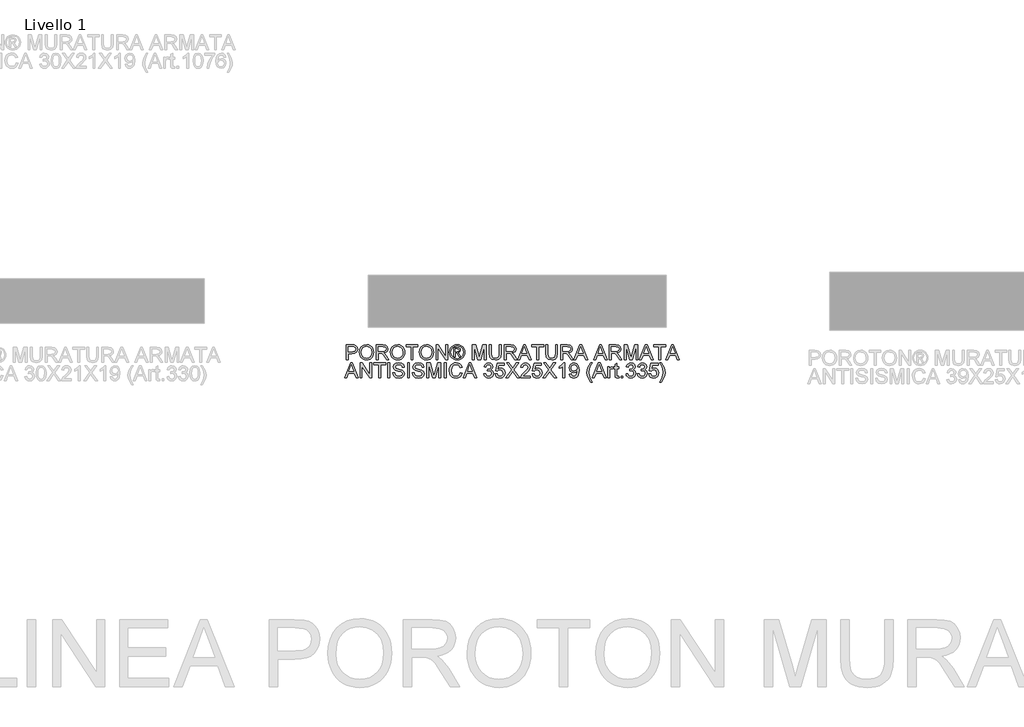
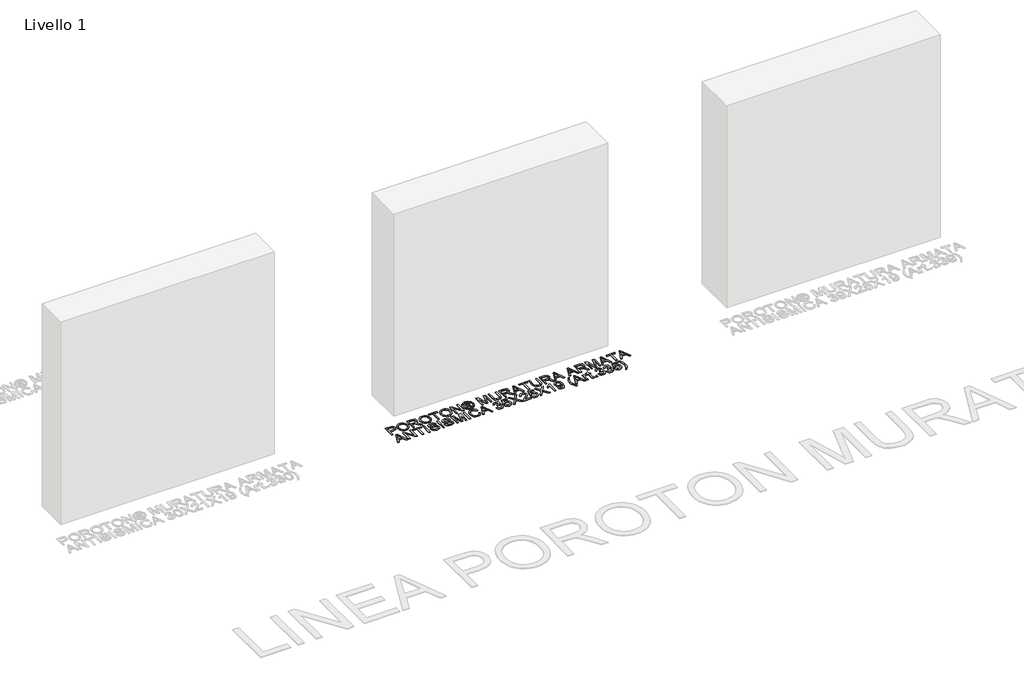
# One storey, part 3 of 8: 1 proxy.
"""IFC4 building model written with IfcOpenShell, lengths in millimetres."""

from ifc_helpers import new_model, si_unit, origin, origin_with_axes, place, context, project, spatial, polyline, outline, extrude, element, save

model = new_model("IFC4")

# Units and contexts
model_context = context("Model", 3, world=origin())
ifc_project = project(units=[si_unit("LENGTHUNIT", "METRE", prefix="MILLI")], contexts=[model_context])

# Site, building, storey
site = spatial("IfcSite", under=ifc_project)
building = spatial("IfcBuilding", under=site)
storey = spatial("IfcBuildingStorey", under=building, Name="Livello 1", Elevation=0.0)

# Proxy
placement = place(None, origin())
element("IfcBuildingElementProxy", 1, Name="100", ObjectType="100", at=placement, inside=storey, context=model_context, shape_type="SweptSolid", body=[
    extrude(outline(polyline([(-1614.2520529, -901.4605049), (-1614.2520529, -801.0041948), (-1577.022395, -801.0041948), (-1562.0128096, -801.960688), (-1549.81139, -806.6573148), (-1541.9019271, -816.3693995), (-1538.9098203, -830.0668724), (-1540.9301055, -841.9065413), (-1546.9909614, -851.7719101), (-1558.3247926, -858.4305742), (-1576.1640036, -860.6501289), (-1601.6950141, -860.6501289), (-1601.6950141, -901.4605049), (-1614.2520529, -901.4605049)]), holes=[polyline([(-1601.6950141, -848.0930902), (-1575.4282396, -848.0930902), (-1556.936038, -843.4823025), (-1552.8341538, -837.9334157), (-1551.466859, -830.5083308), (-1554.6919578, -820.1095331), (-1563.1655065, -814.4196249), (-1575.7225452, -813.5612336), (-1601.6950141, -813.5612336), (-1601.6950141, -848.0930902)])]), origin_with_axes(), (0.0, 0.0, 1.0), 5.0),
    extrude(outline(polyline([(-1526.3527815, -852.556725), (-1523.0050553, -830.3427839), (-1512.9618769, -813.5367081), (-1497.627329, -802.9601007), (-1478.4054948, -799.4345649), (-1465.229188, -801.0900339), (-1453.4140446, -806.0564409), (-1443.603858, -813.9842979), (-1436.4424219, -824.524117), (-1432.0646261, -837.1669949), (-1430.6053609, -851.4040281), (-1432.1412682, -865.8311337), (-1436.7489902, -878.6518212), (-1444.1740751, -889.2100345), (-1454.1620713, -896.8497173), (-1465.8760472, -901.4850304), (-1478.4790712, -903.0301348), (-1491.8577131, -901.3225492), (-1503.7403015, -896.1997924), (-1513.5259626, -888.1247826), (-1520.6138224, -877.560438), (-1526.3527815, -852.556725)]), holes=[polyline([(-1513.7957427, -852.6793524), (-1511.2849481, -868.3940449), (-1503.7525643, -880.3686039), (-1492.4309958, -887.946973), (-1478.5526476, -890.473096), (-1464.4719642, -887.9224475), (-1453.1320017, -880.270502), (-1445.6548002, -867.9280611), (-1443.1623996, -851.3059263), (-1447.4298308, -830.5819072), (-1459.9010304, -816.8599088), (-1478.3319184, -811.9916037), (-1491.839319, -814.3368514), (-1503.3233686, -821.3725946), (-1511.1776492, -833.8897795), (-1513.7957427, -852.6793524)])]), origin_with_axes(), (0.0, 0.0, 1.0), 5.0),
    extrude(outline(polyline([(-1413.3394326, -901.4605049), (-1413.3394326, -801.0041948), (-1370.0519845, -801.0041948), (-1349.9533648, -803.7142588), (-1338.9659559, -813.3037162), (-1334.8579403, -828.4972426), (-1336.5593945, -838.3932682), (-1341.6637572, -846.5970367), (-1350.3243125, -852.6119073), (-1362.6943446, -855.9412394), (-1355.5574339, -861.3123165), (-1345.3793653, -874.2372373), (-1328.6284718, -901.4605049), (-1343.2211243, -901.4605049), (-1356.2931979, -880.638384), (-1365.7355024, -866.8550719), (-1372.369641, -860.3435606), (-1378.3415921, -857.9523276), (-1385.6256556, -857.5108692), (-1400.7823938, -857.5108692), (-1400.7823938, -901.4605049), (-1413.3394326, -901.4605049)]), holes=[polyline([(-1400.7823938, -844.9538305), (-1372.6762094, -844.9538305), (-1358.3410743, -843.1757342), (-1350.1986195, -837.485826), (-1347.414979, -828.9632264), (-1352.7247425, -817.9022411), (-1369.5124242, -813.5612336), (-1400.7823938, -813.5612336), (-1400.7823938, -844.9538305)])]), origin_with_axes(), (0.0, 0.0, 1.0), 5.0),
    extrude(outline(polyline([(-1317.592012, -852.556725), (-1314.2442858, -830.3427839), (-1304.2011073, -813.5367081), (-1288.8665595, -802.9601007), (-1269.6447253, -799.4345649), (-1256.4684185, -801.0900339), (-1244.653275, -806.0564409), (-1234.8430885, -813.9842979), (-1227.6816523, -824.524117), (-1223.3038566, -837.1669949), (-1221.8445913, -851.4040281), (-1223.3804987, -865.8311337), (-1227.9882207, -878.6518212), (-1235.4133056, -889.2100345), (-1245.4013018, -896.8497173), (-1257.1152776, -901.4850304), (-1269.7183017, -903.0301348), (-1283.0969435, -901.3225492), (-1294.979532, -896.1997924), (-1304.7651931, -888.1247826), (-1311.8530528, -877.560438), (-1317.592012, -852.556725)]), holes=[polyline([(-1305.0349732, -852.6793524), (-1302.5241786, -868.3940449), (-1294.9917947, -880.3686039), (-1283.6702263, -887.946973), (-1269.7918781, -890.473096), (-1255.7111947, -887.9224475), (-1244.3712322, -880.270502), (-1236.8940306, -867.9280611), (-1234.4016301, -851.3059263), (-1238.6690613, -830.5819072), (-1251.1402609, -816.8599088), (-1269.5711489, -811.9916037), (-1283.0785494, -814.3368514), (-1294.5625991, -821.3725946), (-1302.4168797, -833.8897795), (-1305.0349732, -852.6793524)])]), origin_with_axes(), (0.0, 0.0, 1.0), 5.0),
    extrude(outline(polyline([(-1179.4645855, -901.4605049), (-1179.4645855, -813.5612336), (-1212.4268123, -813.5612336), (-1212.4268123, -801.0041948), (-1133.94532, -801.0041948), (-1133.94532, -813.5612336), (-1166.9075467, -813.5612336), (-1166.9075467, -901.4605049), (-1179.4645855, -901.4605049)])), origin_with_axes(), (0.0, 0.0, 1.0), 5.0),
    extrude(outline(polyline([(-1124.5275409, -852.556725), (-1121.1798147, -830.3427839), (-1111.1366363, -813.5367081), (-1095.8020884, -802.9601007), (-1076.5802542, -799.4345649), (-1063.4039474, -801.0900339), (-1051.588804, -806.0564409), (-1041.7786174, -813.9842979), (-1034.6171813, -824.524117), (-1030.2393855, -837.1669949), (-1028.7801203, -851.4040281), (-1030.3160276, -865.8311337), (-1034.9237496, -878.6518212), (-1042.3488345, -889.2100345), (-1052.3368307, -896.8497173), (-1064.0508066, -901.4850304), (-1076.6538306, -903.0301348), (-1090.0324725, -901.3225492), (-1101.9150609, -896.1997924), (-1111.700722, -888.1247826), (-1118.7885818, -877.560438), (-1124.5275409, -852.556725)]), holes=[polyline([(-1111.9705021, -852.6793524), (-1109.4597075, -868.3940449), (-1101.9273237, -880.3686039), (-1090.6057553, -887.946973), (-1076.727407, -890.473096), (-1062.6467236, -887.9224475), (-1051.3067611, -880.270502), (-1043.8295596, -867.9280611), (-1041.337159, -851.3059263), (-1045.6045902, -830.5819072), (-1058.0757898, -816.8599088), (-1076.5066778, -811.9916037), (-1090.0140784, -814.3368514), (-1101.498128, -821.3725946), (-1109.3524086, -833.8897795), (-1111.9705021, -852.6793524)])]), origin_with_axes(), (0.0, 0.0, 1.0), 5.0),
    extrude(outline(polyline([(-1011.514192, -901.4605049), (-1011.514192, -801.0041948), (-998.0742364, -801.0041948), (-945.5897384, -880.5893331), (-945.5897384, -801.0041948), (-933.0326997, -801.0041948), (-933.0326997, -901.4605049), (-946.4726552, -901.4605049), (-998.9571532, -821.8508412), (-998.9571532, -901.4605049), (-1011.514192, -901.4605049)])), origin_with_axes(), (0.0, 0.0, 1.0), 5.0),
    extrude(outline(polyline([(-870.2229804, -799.4345649), (-857.3287164, -801.108428), (-844.7410208, -806.1300173), (-833.6831012, -814.2663407), (-825.3781651, -825.2844065), (-820.181832, -838.0069921), (-818.4497209, -851.2568753), (-820.1573065, -864.3902626), (-825.2800633, -877.008615), (-833.4838318, -887.9868269), (-844.4344525, -896.1997924), (-857.0436079, -901.3225492), (-870.2229804, -903.0301348), (-883.3839587, -901.3225492), (-895.9869828, -896.1997924), (-906.9468005, -887.9868269), (-915.1781602, -877.008615), (-920.3285081, -864.3902626), (-922.0452907, -851.2568753), (-920.3039826, -838.0069921), (-915.0800583, -825.2844065), (-906.7475311, -814.2663407), (-895.6804144, -806.1300173), (-883.0988502, -801.108428), (-870.2229804, -799.4345649)]), holes=[polyline([(-870.2229804, -808.852344), (-891.0451013, -814.3337857), (-900.0735386, -820.9955155), (-906.9008153, -830.0178215), (-912.6275117, -851.2568753), (-907.0111799, -872.3119882), (-891.2903559, -887.9960239), (-870.2229804, -893.6123557), (-849.143342, -887.9960239), (-833.4593063, -872.3119882), (-827.8675, -851.2568753), (-833.5574082, -830.0178215), (-840.3662908, -820.9955155), (-849.4131222, -814.3337857), (-870.2229804, -808.852344)])]), origin_with_axes(), (0.0, 0.0, 1.0), 5.0),
    extrude(outline(polyline([(-893.7919535, -882.6249468), (-893.7919535, -819.8397529), (-873.5093928, -819.8397529), (-858.4507565, -821.5687983), (-851.0318029, -827.602063), (-848.272688, -836.7623247), (-853.0306284, -848.6817014), (-865.6367181, -854.3716096), (-860.7316249, -857.707073), (-852.1722371, -870.2395863), (-845.1334283, -882.6249468), (-855.7284297, -882.6249468), (-861.2466597, -872.6676075), (-870.4927605, -858.2466332), (-878.512588, -855.9412394), (-884.3741744, -855.9412394), (-884.3741744, -882.6249468), (-893.7919535, -882.6249468)]), holes=[polyline([(-884.3741744, -846.5234603), (-872.4547978, -846.5234603), (-860.8052013, -844.1322274), (-857.6904671, -837.7923943), (-859.1865205, -833.2306576), (-863.343587, -830.2385507), (-873.2150873, -829.257532), (-884.3741744, -829.257532), (-884.3741744, -846.5234603)])]), origin_with_axes(), (0.0, 0.0, 1.0), 5.0),
    extrude(outline(polyline([(-768.2215658, -901.4605049), (-768.2215658, -801.0041948), (-746.61463, -801.0041948), (-726.0622892, -871.8092161), (-721.9174854, -886.5980723), (-717.429325, -870.5829428), (-697.2203408, -801.0041948), (-675.6134049, -801.0041948), (-675.6134049, -901.4605049), (-688.1704437, -901.4605049), (-688.1704437, -813.5612336), (-713.4071485, -901.4605049), (-730.4278222, -901.4605049), (-755.6645271, -813.5612336), (-755.6645271, -901.4605049), (-768.2215658, -901.4605049)])), origin_with_axes(), (0.0, 0.0, 1.0), 5.0),
    extrude(outline(polyline([(-587.7141335, -801.0041948), (-575.1570948, -801.0041948), (-575.1570948, -858.9578718), (-578.5661346, -882.980566), (-590.8533932, -897.4505912), (-601.1173009, -901.6352489), (-614.1525862, -903.0301348), (-637.09616, -898.1740924), (-644.7358428, -892.2297325), (-649.824877, -884.1087375), (-653.6385871, -858.9578718), (-653.6385871, -801.0041948), (-641.0815483, -801.0041948), (-641.0815483, -858.5164134), (-638.6044762, -877.6585399), (-630.0941394, -887.1376326), (-615.3298086, -890.473096), (-602.558172, -888.8237584), (-594.0662293, -883.8757456), (-589.3021575, -874.2372373), (-587.7141335, -858.5164134), (-587.7141335, -801.0041948)])), origin_with_axes(), (0.0, 0.0, 1.0), 5.0),
    extrude(outline(polyline([(-553.1822769, -901.4605049), (-553.1822769, -801.0041948), (-509.8948288, -801.0041948), (-489.7962091, -803.7142588), (-478.8088002, -813.3037162), (-474.7007846, -828.4972426), (-476.4022388, -838.3932682), (-481.5066015, -846.5970367), (-490.1671568, -852.6119073), (-502.5371889, -855.9412394), (-495.4002782, -861.3123165), (-485.2222097, -874.2372373), (-468.4713162, -901.4605049), (-483.0639686, -901.4605049), (-496.1360422, -880.638384), (-505.5783467, -866.8550719), (-512.2124854, -860.3435606), (-518.1844364, -857.9523276), (-525.4684999, -857.5108692), (-540.6252381, -857.5108692), (-540.6252381, -901.4605049), (-553.1822769, -901.4605049)]), holes=[polyline([(-540.6252381, -844.9538305), (-512.5190537, -844.9538305), (-498.1839186, -843.1757342), (-490.0414638, -837.485826), (-487.2578234, -828.9632264), (-492.5675868, -817.9022411), (-509.3552686, -813.5612336), (-540.6252381, -813.5612336), (-540.6252381, -844.9538305)])]), origin_with_axes(), (0.0, 0.0, 1.0), 5.0),
    extrude(outline(polyline([(-464.4246142, -901.4605049), (-424.3254767, -801.0041948), (-413.6323734, -801.0041948), (-373.5332359, -901.4605049), (-386.8015132, -901.4605049), (-398.3039569, -870.067908), (-439.6784187, -870.067908), (-451.1563369, -901.4605049), (-464.4246142, -901.4605049)]), holes=[polyline([(-435.067631, -857.5108692), (-402.8902191, -857.5108692), (-411.9401162, -832.8137246), (-418.9789251, -813.5612336), (-425.232919, -830.6554836), (-435.067631, -857.5108692)])]), origin_with_axes(), (0.0, 0.0, 1.0), 5.0),
    extrude(outline(polyline([(-335.0037283, -901.4605049), (-335.0037283, -813.5612336), (-367.9659551, -813.5612336), (-367.9659551, -801.0041948), (-289.4844628, -801.0041948), (-289.4844628, -813.5612336), (-322.4466895, -813.5612336), (-322.4466895, -901.4605049), (-335.0037283, -901.4605049)])), origin_with_axes(), (0.0, 0.0, 1.0), 5.0),
    extrude(outline(polyline([(-209.4333406, -801.0041948), (-196.8763019, -801.0041948), (-196.8763019, -858.9578718), (-200.2853417, -882.980566), (-212.5726003, -897.4505912), (-222.836508, -901.6352489), (-235.8717933, -903.0301348), (-258.8153671, -898.1740924), (-266.4550499, -892.2297325), (-271.5440841, -884.1087375), (-275.3577942, -858.9578718), (-275.3577942, -801.0041948), (-262.8007554, -801.0041948), (-262.8007554, -858.5164134), (-260.3236833, -877.6585399), (-251.8133465, -887.1376326), (-237.0490157, -890.473096), (-224.2773791, -888.8237584), (-215.7854364, -883.8757456), (-211.0213646, -874.2372373), (-209.4333406, -858.5164134), (-209.4333406, -801.0041948)])), origin_with_axes(), (0.0, 0.0, 1.0), 5.0),
    extrude(outline(polyline([(-174.901484, -901.4605049), (-174.901484, -801.0041948), (-131.6140359, -801.0041948), (-111.5154162, -803.7142588), (-100.5280073, -813.3037162), (-96.4199917, -828.4972426), (-98.1214459, -838.3932682), (-103.2258086, -846.5970367), (-111.8863639, -852.6119073), (-124.256396, -855.9412394), (-117.1194853, -861.3123165), (-106.9414168, -874.2372373), (-90.1905232, -901.4605049), (-104.7831757, -901.4605049), (-117.8552493, -880.638384), (-127.2975538, -866.8550719), (-133.9316925, -860.3435606), (-139.9036435, -857.9523276), (-147.187707, -857.5108692), (-162.3444452, -857.5108692), (-162.3444452, -901.4605049), (-174.901484, -901.4605049)]), holes=[polyline([(-162.3444452, -844.9538305), (-134.2382608, -844.9538305), (-119.9031257, -843.1757342), (-111.7606709, -837.485826), (-108.9770305, -828.9632264), (-114.2867939, -817.9022411), (-131.0744756, -813.5612336), (-162.3444452, -813.5612336), (-162.3444452, -844.9538305)])]), origin_with_axes(), (0.0, 0.0, 1.0), 5.0),
    extrude(outline(polyline([(-86.1438213, -901.4605049), (-46.0446838, -801.0041948), (-35.3515805, -801.0041948), (4.747557, -901.4605049), (-8.5207203, -901.4605049), (-20.023164, -870.067908), (-61.3976258, -870.067908), (-72.875544, -901.4605049), (-86.1438213, -901.4605049)]), holes=[polyline([(-56.7868381, -857.5108692), (-24.6094262, -857.5108692), (-33.6593233, -832.8137246), (-40.6981322, -813.5612336), (-46.9521261, -830.6554836), (-56.7868381, -857.5108692)])]), origin_with_axes(), (0.0, 0.0, 1.0), 5.0),
    extrude(outline(polyline([(45.7050858, -901.4605049), (85.8042232, -801.0041948), (96.4973266, -801.0041948), (136.596464, -901.4605049), (123.3281868, -901.4605049), (111.825743, -870.067908), (70.4512813, -870.067908), (58.9733631, -901.4605049), (45.7050858, -901.4605049)]), holes=[polyline([(75.062069, -857.5108692), (107.2394808, -857.5108692), (98.1895837, -832.8137246), (91.1507749, -813.5612336), (84.896781, -830.6554836), (75.062069, -857.5108692)])]), origin_with_axes(), (0.0, 0.0, 1.0), 5.0),
    extrude(outline(polyline([(150.0118941, -901.4605049), (150.0118941, -801.0041948), (193.2993422, -801.0041948), (213.3979619, -803.7142588), (224.3853708, -813.3037162), (228.4933864, -828.4972426), (226.7919322, -838.3932682), (221.6875695, -846.5970367), (213.0270142, -852.6119073), (200.6569821, -855.9412394), (207.7938928, -861.3123165), (217.9719614, -874.2372373), (234.7228549, -901.4605049), (220.1302024, -901.4605049), (207.0581289, -880.638384), (197.6158243, -866.8550719), (190.9816857, -860.3435606), (185.0097346, -857.9523276), (177.7256711, -857.5108692), (162.5689329, -857.5108692), (162.5689329, -901.4605049), (150.0118941, -901.4605049)]), holes=[polyline([(162.5689329, -844.9538305), (190.6751173, -844.9538305), (205.0102524, -843.1757342), (213.1527072, -837.485826), (215.9363477, -828.9632264), (210.6265842, -817.9022411), (193.8389025, -813.5612336), (162.5689329, -813.5612336), (162.5689329, -844.9538305)])]), origin_with_axes(), (0.0, 0.0, 1.0), 5.0),
    extrude(outline(polyline([(250.4682043, -901.4605049), (250.4682043, -801.0041948), (272.0751401, -801.0041948), (292.6274809, -871.8092161), (296.7722847, -886.5980723), (301.2604451, -870.5829428), (321.4694294, -801.0041948), (343.0763652, -801.0041948), (343.0763652, -901.4605049), (330.5193264, -901.4605049), (330.5193264, -813.5612336), (305.2826216, -901.4605049), (288.2619479, -901.4605049), (263.0252431, -813.5612336), (263.0252431, -901.4605049), (250.4682043, -901.4605049)])), origin_with_axes(), (0.0, 0.0, 1.0), 5.0),
    extrude(outline(polyline([(353.3525356, -901.4605049), (393.4516731, -801.0041948), (404.1447764, -801.0041948), (444.2439139, -901.4605049), (430.9756366, -901.4605049), (419.4731929, -870.067908), (378.0987311, -870.067908), (366.6208129, -901.4605049), (353.3525356, -901.4605049)]), holes=[polyline([(382.7095188, -857.5108692), (414.8869307, -857.5108692), (405.8370336, -832.8137246), (398.7982247, -813.5612336), (392.5442308, -830.6554836), (382.7095188, -857.5108692)])]), origin_with_axes(), (0.0, 0.0, 1.0), 5.0),
    extrude(outline(polyline([(482.7734215, -901.4605049), (482.7734215, -813.5612336), (449.8111947, -813.5612336), (449.8111947, -801.0041948), (528.292687, -801.0041948), (528.292687, -813.5612336), (495.3304603, -813.5612336), (495.3304603, -901.4605049), (482.7734215, -901.4605049)])), origin_with_axes(), (0.0, 0.0, 1.0), 5.0),
    extrude(outline(polyline([(530.7207082, -901.4605049), (570.8198457, -801.0041948), (581.512949, -801.0041948), (621.6120865, -901.4605049), (608.3438092, -901.4605049), (596.8413655, -870.067908), (555.4669038, -870.067908), (543.9889855, -901.4605049), (530.7207082, -901.4605049)]), holes=[polyline([(560.0776914, -857.5108692), (592.2551033, -857.5108692), (583.2052062, -832.8137246), (576.1663973, -813.5612336), (569.9124034, -830.6554836), (560.0776914, -857.5108692)])]), origin_with_axes(), (0.0, 0.0, 1.0), 5.0),
    extrude(outline(polyline([(-1625.9507003, -1023.4353228), (-1585.8515628, -922.9790126), (-1575.1584595, -922.9790126), (-1535.059322, -1023.4353228), (-1548.3275993, -1023.4353228), (-1559.830043, -992.0427259), (-1601.2045048, -992.0427259), (-1612.682423, -1023.4353228), (-1625.9507003, -1023.4353228)]), holes=[polyline([(-1596.5937171, -979.4856871), (-1564.4163053, -979.4856871), (-1573.4662023, -954.7885425), (-1580.5050112, -935.5360514), (-1586.7590051, -952.6303014), (-1596.5937171, -979.4856871)])]), origin_with_axes(), (0.0, 0.0, 1.0), 5.0),
    extrude(outline(polyline([(-1521.6438919, -1023.4353228), (-1521.6438919, -922.9790126), (-1508.2039364, -922.9790126), (-1455.7194384, -1002.5641509), (-1455.7194384, -922.9790126), (-1443.1623996, -922.9790126), (-1443.1623996, -1023.4353228), (-1456.6023552, -1023.4353228), (-1509.0868532, -943.825659), (-1509.0868532, -1023.4353228), (-1521.6438919, -1023.4353228)])), origin_with_axes(), (0.0, 0.0, 1.0), 5.0),
    extrude(outline(polyline([(-1396.0735043, -1023.4353228), (-1396.0735043, -935.5360514), (-1429.035731, -935.5360514), (-1429.035731, -922.9790126), (-1350.5542387, -922.9790126), (-1350.5542387, -935.5360514), (-1383.5164655, -935.5360514), (-1383.5164655, -1023.4353228), (-1396.0735043, -1023.4353228)])), origin_with_axes(), (0.0, 0.0, 1.0), 5.0),
    extrude(outline(polyline([(-1334.8579403, -1023.4353228), (-1334.8579403, -922.9790126), (-1322.3009015, -922.9790126), (-1322.3009015, -1023.4353228), (-1334.8579403, -1023.4353228)])), origin_with_axes(), (0.0, 0.0, 1.0), 5.0),
    extrude(outline(polyline([(-1301.8957135, -988.9034662), (-1289.3386747, -988.9034662), (-1285.2919728, -1001.4727677), (-1275.4082098, -1009.4190188), (-1260.3495735, -1012.4479139), (-1247.228449, -1010.1547828), (-1238.7549004, -1003.8517379), (-1235.97126, -995.4272402), (-1238.0559246, -987.5913537), (-1246.5907869, -981.8891828), (-1264.874522, -977.0944541), (-1284.5562088, -970.9017739), (-1295.2370494, -961.5575712), (-1298.7564538, -949.0741088), (-1294.4031835, -934.8616011), (-1281.6867292, -924.8306853), (-1263.0719003, -921.4093828), (-1243.2062725, -924.9901009), (-1229.9625207, -935.5115259), (-1224.983851, -951.2323499), (-1237.5408898, -951.2323499), (-1239.8462836, -943.7398199), (-1244.653275, -938.3319546), (-1262.5813909, -933.9664216), (-1280.5585578, -938.2829036), (-1286.199415, -948.7062268), (-1282.201764, -957.4127674), (-1261.6984742, -964.4270508), (-1239.4784016, -970.7300956), (-1227.3260331, -980.9081641), (-1223.4142212, -995.1084092), (-1227.9146443, -1010.1302573), (-1240.8640905, -1021.0931407), (-1259.8590642, -1025.0049526), (-1282.2876032, -1020.7865724), (-1296.4755854, -1008.0823809), (-1301.8957135, -988.9034662)])), origin_with_axes(), (0.0, 0.0, 1.0), 5.0),
    extrude(outline(polyline([(-1203.0090332, -1023.4353228), (-1203.0090332, -922.9790126), (-1190.4519944, -922.9790126), (-1190.4519944, -1023.4353228), (-1203.0090332, -1023.4353228)])), origin_with_axes(), (0.0, 0.0, 1.0), 5.0),
    extrude(outline(polyline([(-1170.0468064, -988.9034662), (-1157.4897677, -988.9034662), (-1153.4430657, -1001.4727677), (-1143.5593028, -1009.4190188), (-1128.5006664, -1012.4479139), (-1115.3795419, -1010.1547828), (-1106.9059933, -1003.8517379), (-1104.1223529, -995.4272402), (-1106.2070175, -987.5913537), (-1114.7418798, -981.8891828), (-1133.025615, -977.0944541), (-1152.7073017, -970.9017739), (-1163.3881423, -961.5575712), (-1166.9075467, -949.0741088), (-1162.5542765, -934.8616011), (-1149.8378222, -924.8306853), (-1131.2229932, -921.4093828), (-1111.3573655, -924.9901009), (-1098.1136136, -935.5115259), (-1093.134944, -951.2323499), (-1105.6919827, -951.2323499), (-1107.9973766, -943.7398199), (-1112.804368, -938.3319546), (-1130.7324839, -933.9664216), (-1148.7096507, -938.2829036), (-1154.350508, -948.7062268), (-1150.352857, -957.4127674), (-1129.8495671, -964.4270508), (-1107.6294946, -970.7300956), (-1095.477126, -980.9081641), (-1091.5653141, -995.1084092), (-1096.0657372, -1010.1302573), (-1109.0151834, -1021.0931407), (-1128.0101571, -1025.0049526), (-1150.4386961, -1020.7865724), (-1164.6266784, -1008.0823809), (-1170.0468064, -988.9034662)])), origin_with_axes(), (0.0, 0.0, 1.0), 5.0),
    extrude(outline(polyline([(-1072.729756, -1023.4353228), (-1072.729756, -922.9790126), (-1051.1228201, -922.9790126), (-1030.5704793, -993.784034), (-1026.4256755, -1008.5728902), (-1021.9375152, -992.5577607), (-1001.7285309, -922.9790126), (-980.121595, -922.9790126), (-980.121595, -1023.4353228), (-992.6786338, -1023.4353228), (-992.6786338, -935.5360514), (-1017.9153387, -1023.4353228), (-1034.9360123, -1023.4353228), (-1060.1727172, -935.5360514), (-1060.1727172, -1023.4353228), (-1072.729756, -1023.4353228)])), origin_with_axes(), (0.0, 0.0, 1.0), 5.0),
    extrude(outline(polyline([(-956.5771474, -1023.4353228), (-956.5771474, -922.9790126), (-944.0201086, -922.9790126), (-944.0201086, -1023.4353228), (-956.5771474, -1023.4353228)])), origin_with_axes(), (0.0, 0.0, 1.0), 5.0),
    extrude(outline(polyline([(-848.272688, -987.7262438), (-835.7156492, -990.9636053), (-841.5097906, -1005.5961117), (-850.6026073, -1016.2861493), (-862.5465094, -1022.8252518), (-876.8939072, -1025.0049526), (-891.4589685, -1023.355615), (-903.0257916, -1018.4076022), (-911.8917477, -1010.3325924), (-918.3542081, -999.3022639), (-923.6149206, -972.4468783), (-922.1280642, -957.7990435), (-917.667495, -945.1500342), (-910.4662049, -934.901455), (-900.757186, -927.4549102), (-889.2424795, -922.9207647), (-876.6241271, -921.4093828), (-862.8561434, -923.3652887), (-851.4732613, -929.2330066), (-842.8311001, -938.6507856), (-837.2852791, -951.2568753), (-849.8423178, -954.2489822), (-860.1430137, -938.8102012), (-877.1146364, -933.9664216), (-896.7595349, -939.3374987), (-907.8573085, -953.7584729), (-911.0578818, -972.4223528), (-907.2686973, -994.0538141), (-895.471948, -1007.8739144), (-878.144706, -1012.4479139), (-867.6631348, -1010.8905467), (-858.9290031, -1006.2184454), (-852.3347183, -998.4806608), (-848.272688, -987.7262438)])), origin_with_axes(), (0.0, 0.0, 1.0), 5.0),
    extrude(outline(polyline([(-830.1483683, -1023.4353228), (-790.0492309, -922.9790126), (-779.3561275, -922.9790126), (-739.2569901, -1023.4353228), (-752.5252674, -1023.4353228), (-764.0277111, -992.0427259), (-805.4021728, -992.0427259), (-816.8800911, -1023.4353228), (-830.1483683, -1023.4353228)]), holes=[polyline([(-800.7913851, -979.4856871), (-768.6139733, -979.4856871), (-777.6638704, -954.7885425), (-784.7026792, -935.5360514), (-790.9566731, -952.6303014), (-800.7913851, -979.4856871)])]), origin_with_axes(), (0.0, 0.0, 1.0), 5.0),
    extrude(outline(polyline([(-691.3097034, -996.7516154), (-678.7526646, -995.1819856), (-671.8242204, -1008.4012119), (-658.8625114, -1012.4479139), (-650.2540727, -1011.0560936), (-643.6076713, -1006.880633), (-637.9422886, -993.0973209), (-643.5586204, -980.1110865), (-657.8324418, -974.9730013), (-666.6370842, -976.3464274), (-665.2391326, -963.7893886), (-663.2280444, -963.9365414), (-648.9787485, -960.3312979), (-644.2330707, -955.7572984), (-642.6511781, -949.2457871), (-647.2374403, -939.4233378), (-659.0587151, -935.5360514), (-671.0271427, -939.460126), (-677.1830348, -951.2323499), (-689.7400735, -949.66272), (-686.0428595, -938.3871369), (-679.4639031, -929.9687705), (-670.463057, -924.7264521), (-659.5001735, -922.9790126), (-644.3556981, -926.4248407), (-633.7606966, -935.8426197), (-630.0941394, -948.5100231), (-633.5767556, -960.0860432), (-643.8774515, -968.4001763), (-630.1922412, -976.9840895), (-625.3852498, -993.3180501), (-627.7887455, -1005.5562578), (-634.9992326, -1015.7833773), (-645.8824083, -1022.6995588), (-659.3039698, -1025.0049526), (-671.4440756, -1023.036784), (-681.3278386, -1017.1322779), (-688.2011005, -1008.100775), (-691.3097034, -996.7516154)])), origin_with_axes(), (0.0, 0.0, 1.0), 5.0),
    extrude(outline(polyline([(-614.3978409, -996.7516154), (-601.8408021, -995.1819856), (-595.5132318, -1008.1191691), (-582.3921073, -1012.4479139), (-573.3912612, -1010.9426634), (-566.6467579, -1006.4269119), (-562.4345091, -999.4218255), (-561.0304261, -990.4485706), (-566.2911387, -975.537087), (-572.8976862, -971.4352028), (-582.1959036, -970.067908), (-593.2201007, -972.2506745), (-600.2711723, -977.9160572), (-612.8282111, -976.3464274), (-601.8408021, -924.5486425), (-553.1822769, -924.5486425), (-553.1822769, -937.1056813), (-591.6872591, -937.1056813), (-597.0583362, -964.7704073), (-588.0881469, -959.3257538), (-578.6887619, -957.5108692), (-566.9563919, -959.7610808), (-557.2167161, -966.5117154), (-550.6592196, -976.8001485), (-548.4733874, -989.6637556), (-550.441556, -1002.2207944), (-556.3460621, -1012.9629487), (-567.6523021, -1021.9944516), (-582.4411583, -1025.0049526), (-594.7744022, -1023.0705065), (-604.5999171, -1017.267168), (-611.3352233, -1008.2693875), (-614.3978409, -996.7516154)])), origin_with_axes(), (0.0, 0.0, 1.0), 5.0),
    extrude(outline(polyline([(-543.7644978, -1023.4353228), (-505.0387865, -968.6944819), (-537.4859785, -922.9790126), (-522.4273421, -922.9790126), (-504.1558697, -948.7062268), (-497.9999776, -958.7371426), (-490.7894905, -948.5345486), (-472.7142218, -922.9790126), (-457.4348563, -922.9790126), (-489.8820483, -968.8416347), (-451.1563369, -1023.4353228), (-466.2149733, -1023.4353228), (-492.0157638, -987.0395307), (-497.386841, -979.4856871), (-503.2974784, -987.7752947), (-528.4851323, -1023.4353228), (-543.7644978, -1023.4353228)])), origin_with_axes(), (0.0, 0.0, 1.0), 5.0),
    extrude(outline(polyline([(-378.953364, -1010.878284), (-378.953364, -1023.4353228), (-444.8778175, -1023.4353228), (-443.5289169, -1014.7778332), (-435.9014969, -1001.4482422), (-420.1806729, -986.8923779), (-398.5001607, -965.9721551), (-393.0800326, -951.7473847), (-398.1935923, -940.2326782), (-411.5477088, -935.5360514), (-425.4659109, -940.1223136), (-430.7511489, -952.8019797), (-443.3081877, -951.2323499), (-440.2639642, -939.0861127), (-433.6819421, -930.2140252), (-423.9054781, -924.7877658), (-411.2779286, -922.9790126), (-398.5584087, -924.9901009), (-388.8003387, -931.0233656), (-382.5923301, -940.0364745), (-380.5229938, -950.9870952), (-382.7548113, -962.8942091), (-390.1737649, -975.2059932), (-408.1631944, -992.4106079), (-422.6086941, -1004.4894), (-428.2740768, -1010.878284), (-378.953364, -1010.878284)])), origin_with_axes(), (0.0, 0.0, 1.0), 5.0),
    extrude(outline(polyline([(-366.3963252, -996.7516154), (-353.8392865, -995.1819856), (-347.5117161, -1008.1191691), (-334.3905916, -1012.4479139), (-325.3897455, -1010.9426634), (-318.6452423, -1006.4269119), (-314.4329934, -999.4218255), (-313.0289105, -990.4485706), (-318.289623, -975.537087), (-324.8961705, -971.4352028), (-334.1943879, -970.067908), (-345.218585, -972.2506745), (-352.2696566, -977.9160572), (-364.8266954, -976.3464274), (-353.8392865, -924.5486425), (-305.1807612, -924.5486425), (-305.1807612, -937.1056813), (-343.6857434, -937.1056813), (-349.0568205, -964.7704073), (-340.0866312, -959.3257538), (-330.6872462, -957.5108692), (-318.9548763, -959.7610808), (-309.2152004, -966.5117154), (-302.6577039, -976.8001485), (-300.4718717, -989.6637556), (-302.4400404, -1002.2207944), (-308.3445464, -1012.9629487), (-319.6507864, -1021.9944516), (-334.4396426, -1025.0049526), (-346.7728865, -1023.0705065), (-356.5984014, -1017.267168), (-363.3337076, -1008.2693875), (-366.3963252, -996.7516154)])), origin_with_axes(), (0.0, 0.0, 1.0), 5.0),
    extrude(outline(polyline([(-295.7629822, -1023.4353228), (-257.0372708, -968.6944819), (-289.4844628, -922.9790126), (-274.4258264, -922.9790126), (-256.154354, -948.7062268), (-249.998462, -958.7371426), (-242.7879748, -948.5345486), (-224.7127062, -922.9790126), (-209.4333406, -922.9790126), (-241.8805326, -968.8416347), (-203.1548212, -1023.4353228), (-218.2134576, -1023.4353228), (-244.0142482, -987.0395307), (-249.3853253, -979.4856871), (-255.2959627, -987.7752947), (-280.4836166, -1023.4353228), (-295.7629822, -1023.4353228)])), origin_with_axes(), (0.0, 0.0, 1.0), 5.0),
    extrude(outline(polyline([(-148.2177766, -1023.4353228), (-160.7748154, -1023.4353228), (-160.7748154, -945.1500342), (-172.6696666, -953.6235828), (-185.8888929, -959.9634159), (-185.8888929, -948.0930902), (-167.4825304, -936.3453918), (-156.3111805, -922.9790126), (-148.2177766, -922.9790126), (-148.2177766, -1023.4353228)])), origin_with_axes(), (0.0, 0.0, 1.0), 5.0),
    extrude(outline(polyline([(-116.8251797, -998.3212452), (-104.2681409, -996.7516154), (-98.6272837, -1008.7323057), (-87.9341803, -1012.4479139), (-77.7683745, -1010.0566809), (-70.8767185, -1003.6677969), (-66.7687029, -992.7539644), (-64.9538184, -978.1858374), (-65.0273948, -975.7332907), (-75.0705732, -985.2491717), (-88.8416226, -988.9034662), (-100.2919497, -986.6716487), (-109.8231591, -979.9761964), (-116.2518969, -969.632581), (-118.3948095, -956.4562742), (-116.1476637, -942.8446404), (-109.4062261, -932.1760625), (-99.2802742, -925.2782751), (-86.8795853, -922.9790126), (-68.9882576, -928.2274624), (-56.6764735, -943.1879969), (-52.470356, -971.2941813), (-56.6642108, -1001.7915987), (-61.878938, -1011.7826606), (-69.1354104, -1019.0697898), (-78.1209281, -1023.5211619), (-88.5227915, -1025.0049526), (-99.2588144, -1023.2544475), (-107.8243336, -1018.002932), (-113.8146787, -1009.5815), (-116.8251797, -998.3212452)]), holes=[polyline([(-65.0273948, -956.1619686), (-66.3824268, -947.6516318), (-70.4475228, -941.1033323), (-76.7566991, -936.9278716), (-84.8439716, -935.5360514), (-93.2316811, -937.0351705), (-99.9516589, -941.5325279), (-104.3662428, -948.4149869), (-105.8377708, -957.0694109), (-104.4459506, -964.8286553), (-100.2704899, -970.987613), (-93.716059, -975.0067238), (-85.1873281, -976.3464274), (-70.7050402, -970.987613), (-66.4468061, -964.6017947), (-65.0273948, -956.1619686)])]), origin_with_axes(), (0.0, 0.0, 1.0), 5.0),
    extrude(outline(polyline([(26.0111363, -1051.68866), (8.1811223, -1022.2335749), (2.7180746, -1005.0534858), (0.8970588, -987.2602599), (6.3417123, -956.7260543), (26.0111363, -922.9790126), (35.4289154, -922.9790126), (23.681217, -942.8691658), (16.6178827, -962.1461824), (13.4540975, -987.3338363), (18.947802, -1019.5235109), (35.4289154, -1051.68866), (26.0111363, -1051.68866)])), origin_with_axes(), (0.0, 0.0, 1.0), 5.0),
    extrude(outline(polyline([(37.8569365, -1023.4353228), (77.956074, -922.9790126), (88.6491773, -922.9790126), (128.7483148, -1023.4353228), (115.4800375, -1023.4353228), (103.9775938, -992.0427259), (62.6031321, -992.0427259), (51.1252138, -1023.4353228), (37.8569365, -1023.4353228)]), holes=[polyline([(67.2139198, -979.4856871), (99.3913316, -979.4856871), (90.3414345, -954.7885425), (83.3026257, -935.5360514), (77.0486318, -952.6303014), (67.2139198, -979.4856871)])]), origin_with_axes(), (0.0, 0.0, 1.0), 5.0),
    extrude(outline(polyline([(140.5941151, -1023.4353228), (140.5941151, -949.66272), (151.581524, -949.66272), (151.581524, -960.5765525), (159.3806223, -950.5211113), (167.2287715, -948.0930902), (179.8348612, -951.9681139), (175.6410065, -963.2253029), (166.8118386, -960.6501289), (159.7117161, -963.127201), (155.1867675, -969.9943316), (153.1511538, -984.6605605), (153.1511538, -1023.4353228), (140.5941151, -1023.4353228)])), origin_with_axes(), (0.0, 0.0, 1.0), 5.0),
    extrude(outline(polyline([(214.3667178, -1012.9629487), (215.9363477, -1023.8032048), (206.5430941, -1025.0049526), (196.021669, -1022.920288), (190.7732192, -1017.451109), (189.2526403, -1003.2018131), (189.2526403, -962.2197588), (179.8348612, -962.2197588), (179.8348612, -949.66272), (189.2526403, -949.66272), (189.2526403, -931.7346041), (201.8096791, -924.3524388), (201.8096791, -949.66272), (214.3667178, -949.66272), (214.3667178, -962.2197588), (201.8096791, -962.2197588), (201.8096791, -1002.8339311), (202.4718666, -1009.3086542), (204.617845, -1011.6017853), (208.8975388, -1012.4479139), (214.3667178, -1012.9629487)])), origin_with_axes(), (0.0, 0.0, 1.0), 5.0),
    extrude(outline(polyline([(230.0630163, -1023.4353228), (230.0630163, -1010.878284), (242.6200551, -1010.878284), (242.6200551, -1023.4353228), (230.0630163, -1023.4353228)])), origin_with_axes(), (0.0, 0.0, 1.0), 5.0),
    extrude(outline(polyline([(263.0252431, -996.7516154), (275.5822818, -995.1819856), (282.5107261, -1008.4012119), (295.472435, -1012.4479139), (304.0808737, -1011.0560936), (310.7272751, -1006.880633), (316.3926578, -993.0973209), (310.776326, -980.1110865), (296.5025046, -974.9730013), (287.6978622, -976.3464274), (289.0958138, -963.7893886), (291.106902, -963.9365414), (305.356198, -960.3312979), (310.1018757, -955.7572984), (311.6837683, -949.2457871), (307.0975061, -939.4233378), (295.2762313, -935.5360514), (283.3078037, -939.460126), (277.1519117, -951.2323499), (264.5948729, -949.66272), (268.292087, -938.3871369), (274.8710433, -929.9687705), (283.8718894, -924.7264521), (294.8347729, -922.9790126), (309.9792484, -926.4248407), (320.5742498, -935.8426197), (324.2408071, -948.5100231), (320.7581908, -960.0860432), (310.457495, -968.4001763), (324.1427052, -976.9840895), (328.9496966, -993.3180501), (326.5462009, -1005.5562578), (319.3357138, -1015.7833773), (308.4525381, -1022.6995588), (295.0309766, -1025.0049526), (282.8908708, -1023.036784), (273.0071079, -1017.1322779), (266.1338459, -1008.100775), (263.0252431, -996.7516154)])), origin_with_axes(), (0.0, 0.0, 1.0), 5.0),
    extrude(outline(polyline([(339.9371055, -996.7516154), (352.4941443, -995.1819856), (359.4225885, -1008.4012119), (372.3842975, -1012.4479139), (380.9927362, -1011.0560936), (387.6391376, -1006.880633), (393.3045203, -993.0973209), (387.6881885, -980.1110865), (373.4143671, -974.9730013), (364.6097247, -976.3464274), (366.0076762, -963.7893886), (368.0187645, -963.9365414), (382.2680604, -960.3312979), (387.0137382, -955.7572984), (388.5956307, -949.2457871), (384.0093685, -939.4233378), (372.1880938, -935.5360514), (360.2196662, -939.460126), (354.0637741, -951.2323499), (341.5067354, -949.66272), (345.2039494, -938.3871369), (351.7829058, -929.9687705), (360.7837519, -924.7264521), (371.7466354, -922.9790126), (386.8911108, -926.4248407), (397.4861123, -935.8426197), (401.1526695, -948.5100231), (397.6700533, -960.0860432), (387.3693574, -968.4001763), (401.0545676, -976.9840895), (405.861559, -993.3180501), (403.4580633, -1005.5562578), (396.2475762, -1015.7833773), (385.3644005, -1022.6995588), (371.9428391, -1025.0049526), (359.8027333, -1023.036784), (349.9189703, -1017.1322779), (343.0457084, -1008.100775), (339.9371055, -996.7516154)])), origin_with_axes(), (0.0, 0.0, 1.0), 5.0),
    extrude(outline(polyline([(416.848968, -996.7516154), (429.4060067, -995.1819856), (435.7335771, -1008.1191691), (448.8547015, -1012.4479139), (457.8555477, -1010.9426634), (464.6000509, -1006.4269119), (468.8122998, -999.4218255), (470.2163827, -990.4485706), (464.9556702, -975.537087), (458.3491227, -971.4352028), (449.0509053, -970.067908), (438.0267082, -972.2506745), (430.9756366, -977.9160572), (418.4185978, -976.3464274), (429.4060067, -924.5486425), (478.064532, -924.5486425), (478.064532, -937.1056813), (439.5595498, -937.1056813), (434.1884727, -964.7704073), (443.158662, -959.3257538), (452.558047, -957.5108692), (464.2904169, -959.7610808), (474.0300928, -966.5117154), (480.5875893, -976.8001485), (482.7734215, -989.6637556), (480.8052528, -1002.2207944), (474.9007468, -1012.9629487), (463.5945068, -1021.9944516), (448.8056506, -1025.0049526), (436.4724067, -1023.0705065), (426.6468918, -1017.267168), (419.9115856, -1008.2693875), (416.848968, -996.7516154)])), origin_with_axes(), (0.0, 0.0, 1.0), 5.0),
    extrude(outline(polyline([(500.0393498, -1051.68866), (490.6215707, -1051.68866), (507.1026841, -1019.5235109), (512.5963886, -987.3338363), (509.4326034, -962.3669116), (502.4428455, -943.0653696), (490.6215707, -922.9790126), (500.0393498, -922.9790126), (519.7087738, -956.7260543), (525.1534273, -987.2602599), (523.3232144, -1005.0534858), (517.8325756, -1022.2335749), (500.0393498, -1051.68866)])), origin_with_axes(), (0.0, 0.0, 1.0), 5.0),
])

save(model, "model.ifc")
